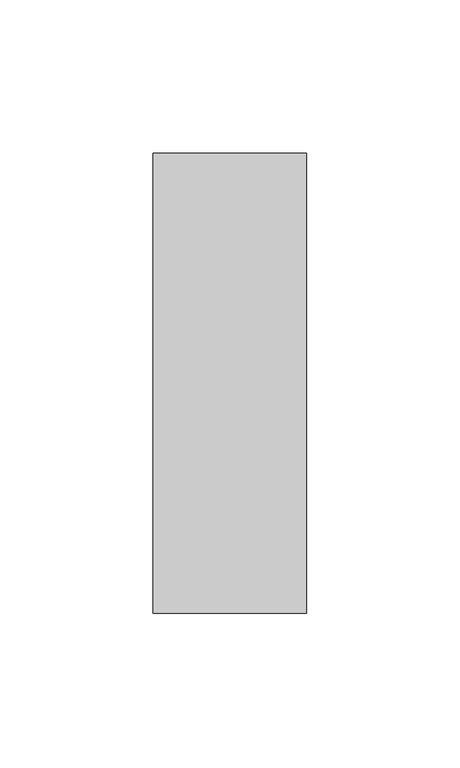
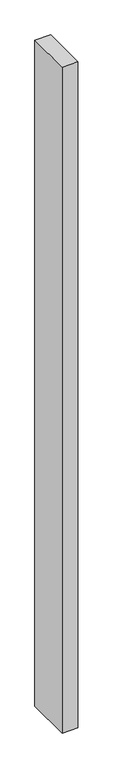
"""IFC4 building model written with IfcOpenShell, lengths in millimetres: member geometry."""

from ifc_helpers import new_model, si_unit, frame, origin, place, context, project, spatial, polyline, outline, extrude, source, transform, mapped, element, save


def member_a6ba09a3(model_context):
    return source(origin(), model_context, "Body", "SweptSolid", [
        extrude(outline(polyline([(0.0, 75.0), (0.0, -75.0), (-50.0, -75.0), (-50.0, 75.0), (0.0, 75.0)])), frame((0.0, 0.0, -2240.0), z_axis=(0.0, 0.0, 1.0), x_axis=(1.0, 0.0, 0.0)), (0.0, 0.0, 1.0), 2240.0),
    ])


if __name__ == "__main__":
    model = new_model("IFC4")
    model_context = context("Model", 3, world=origin())
    ifc_project = project(units=[si_unit("LENGTHUNIT", "METRE", prefix="MILLI")], contexts=[model_context])
    site = spatial("IfcSite", under=ifc_project)
    building = spatial("IfcBuilding", under=site)
    placement = place(None, origin())
    member_shape = member_a6ba09a3(model_context)
    element("IfcMember", 1, at=placement, inside=building, context=model_context, shape_type="MappedRepresentation", body=[
        mapped(member_shape, transform((0.0, 0.0, 0.0), x_axis=(1.0, 0.0, 0.0), y_axis=(0.0, 1.0, 0.0), z_axis=(0.0, 0.0, 1.0))),
    ])
    save(model, "model.ifc")
